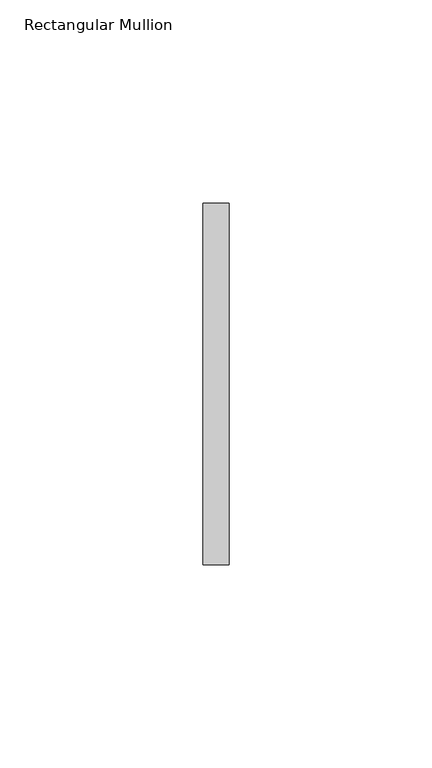
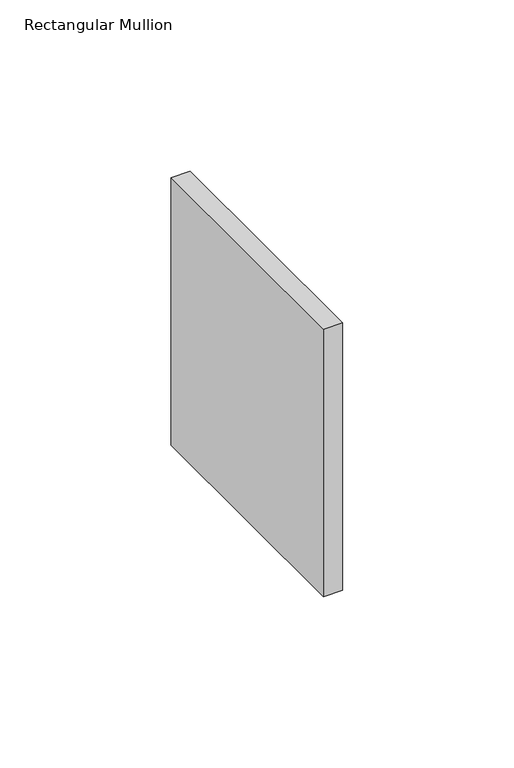
"""IFC4 building model written with IfcOpenShell, lengths in millimetres: member geometry, Rectangular Mullion."""

from ifc_helpers import new_model, si_unit, frame, origin, place, context, project, spatial, polyline, outline, extrude, source, transform, mapped, element, save


def rectangular_mullion_b0090a8f(model_context):
    return source(origin(), model_context, "Body", "SweptSolid", [
        extrude(outline(polyline([(0.0, 44.45), (0.0, -44.45), (-6.35, -44.45), (-6.35, 44.45), (0.0, 44.45)])), frame((0.0, 0.0, -95.2500003), z_axis=(0.0, 0.0, 1.0), x_axis=(1.0, 0.0, 0.0)), (0.0, 0.0, 1.0), 95.2500003),
    ])


if __name__ == "__main__":
    model = new_model("IFC4")
    model_context = context("Model", 3, world=origin())
    ifc_project = project(units=[si_unit("LENGTHUNIT", "METRE", prefix="MILLI")], contexts=[model_context])
    site = spatial("IfcSite", under=ifc_project)
    building = spatial("IfcBuilding", under=site)
    placement = place(None, origin())
    rectangular_mullion_shape = rectangular_mullion_b0090a8f(model_context)
    element("IfcMember", 1, ObjectType="Rectangular Mullion", at=placement, inside=building, context=model_context, shape_type="MappedRepresentation", body=[
        mapped(rectangular_mullion_shape, transform((0.0, 0.0, 0.0), x_axis=(1.0, 0.0, 0.0), y_axis=(0.0, 1.0, 0.0), z_axis=(0.0, 0.0, 1.0))),
    ])
    save(model, "model.ifc")
